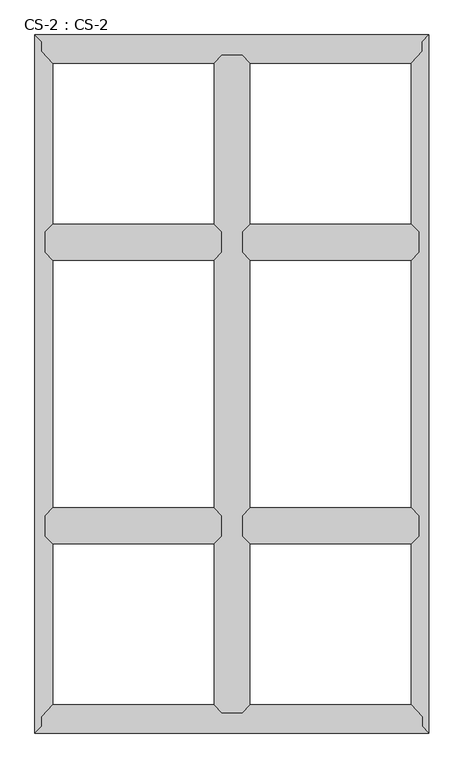
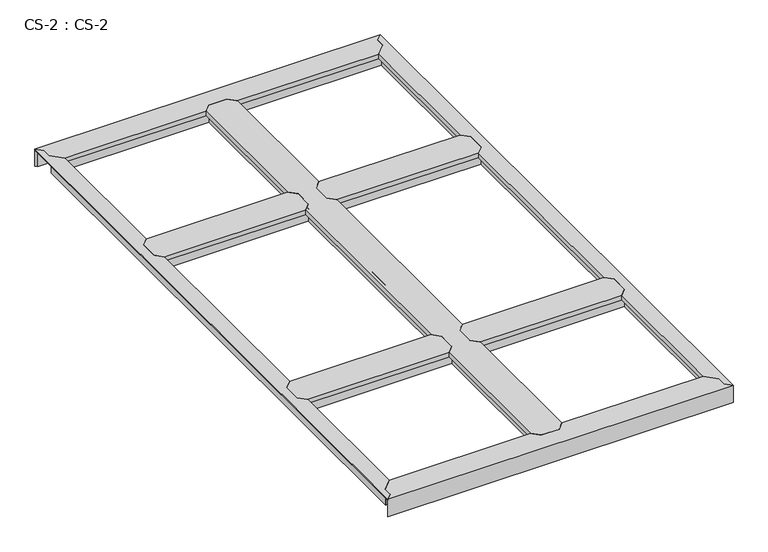
"""IFC4 building model written with IfcOpenShell, lengths in millimetres: proxy geometry, CS-2 : CS-2."""

import ifcopenshell
import ifcopenshell.guid

model = None  # the IFC model being written
_history = None  # IfcOwnerHistory: only IFC2X3 demands one
_inside = {}  # id of a spatial element -> (the spatial element, [elements in it])
_under = {}  # id of a project, library or spatial element -> (it, [spatial elements below it])
_declared = {}  # id of a project -> (the project, [libraries it declares])
_typed = {}  # id of a type object -> (the type object, [elements of that type])
_made_of = {}  # id of a material, layer set ... -> (it, [elements and type objects made of it])


def new_model(schema):
    """Start an empty IFC model of exactly this schema.

    Asked for "IFC4X3", IfcOpenShell would pick the latest addendum, in which some entities
    have other attributes; the version numbers below select the first issue.
    IFC2X3 requires an IfcOwnerHistory on every rooted entity: one is made here for all.
    """
    global model, _history
    if schema == "IFC4X3":
        model = ifcopenshell.file(schema_version=(4, 3, 0, 0))
    else:
        model = ifcopenshell.file(schema=schema)
    _inside.clear()
    _under.clear()
    _declared.clear()
    _typed.clear()
    _made_of.clear()
    _history = None
    if model.schema == "IFC2X3":
        org = make("IfcOrganization", Name="unknown")
        user = make(
            "IfcPersonAndOrganization",
            ThePerson=make("IfcPerson", FamilyName="unknown"),
            TheOrganization=org,
        )
        app = make(
            "IfcApplication",
            ApplicationDeveloper=org,
            Version="unknown",
            ApplicationFullName="unknown",
            ApplicationIdentifier="unknown",
        )
        _history = make(
            "IfcOwnerHistory",
            OwningUser=user,
            OwningApplication=app,
            ChangeAction="ADDED",
            CreationDate=0,
        )
    return model


def make(cls, **values):
    """One entity of the class cls with the attributes given. An attribute that is None is left unset."""
    return model.create_entity(
        cls, **{name: value for name, value in values.items() if value is not None}
    )


def rooted(cls, **values):
    """An entity with a GlobalId (a new one), such as an element, a storey or a relation."""
    return make(cls, GlobalId=ifcopenshell.guid.new(), OwnerHistory=_history, **values)


def si_unit(unit_type, name, prefix=None):
    """IfcSIUnit, for example si_unit("LENGTHUNIT", "METRE", prefix="MILLI")."""
    return make("IfcSIUnit", UnitType=unit_type, Prefix=prefix, Name=name)


def assignment(units):
    """IfcUnitAssignment: the units of a project."""
    return None if units is None else make("IfcUnitAssignment", Units=units)


def point(xyz):
    """IfcCartesianPoint."""
    return None if xyz is None else make("IfcCartesianPoint", Coordinates=xyz)


def direction(xyz):
    """IfcDirection."""
    return None if xyz is None else make("IfcDirection", DirectionRatios=xyz)


def frame(location, z_axis=None, x_axis=None):
    """IfcAxis2Placement3D, a coordinate frame: its origin and axes. An axis left out is left unset."""
    return make(
        "IfcAxis2Placement3D",
        Location=point(location),
        Axis=direction(z_axis),
        RefDirection=direction(x_axis),
    )


def origin():
    """The frame at (0, 0, 0) with its axes left unset."""
    return frame((0.0, 0.0, 0.0))


def place(relative_to, where):
    """IfcLocalPlacement: puts the frame where relative to a parent placement (None: the world)."""
    return make(
        "IfcLocalPlacement", PlacementRelTo=relative_to, RelativePlacement=where
    )


def context(
    kind, dimensions, precision=None, world=None, true_north=None, identifier=None
):
    """IfcGeometricRepresentationContext, for example the 3D "Model" context."""
    return make(
        "IfcGeometricRepresentationContext",
        ContextIdentifier=identifier,
        ContextType=kind,
        CoordinateSpaceDimension=dimensions,
        Precision=precision,
        WorldCoordinateSystem=world,
        TrueNorth=true_north,
    )


def project(units=None, contexts=None):
    """IfcProject with its units and contexts."""
    return rooted(
        "IfcProject",
        Name="project",
        RepresentationContexts=contexts,
        UnitsInContext=assignment(units),
    )


def spatial(cls, under=None, at=None, **own):
    """A site, building, storey or space (cls), placed at a placement, below another one or the project."""
    s = rooted(cls, ObjectPlacement=at, **own)
    if under is not None:
        _under.setdefault(under.id(), (under, []))[1].append(s)
    return s


def faces_of(points, faces, orient=None, outer=None):
    """IfcFace entities. A face is a list of loops; a loop is a list of indices into points, from 0.

    orient and outer hold one flag for each loop. By default every Orientation is true, the
    first loop of a face is its IfcFaceOuterBound and the others are IfcFaceBound.
    """
    made = []
    for i, loops in enumerate(faces):
        bounds = []
        for j, loop in enumerate(loops):
            is_outer = j == 0 if outer is None else outer[i][j]
            bounds.append(
                make(
                    "IfcFaceOuterBound" if is_outer else "IfcFaceBound",
                    Bound=make("IfcPolyLoop", Polygon=[points[k] for k in loop]),
                    Orientation=True if orient is None else orient[i][j],
                )
            )
        made.append(make("IfcFace", Bounds=bounds))
    return made


def faceted_brep(points, faces, orient=None, outer=None, voids=None):
    """IfcFacetedBrep: a solid bounded by flat faces; with voids (closed shells), ...WithVoids."""
    shared = [point(p) for p in points]
    hull = make("IfcClosedShell", CfsFaces=faces_of(shared, faces, orient, outer))
    if voids is None:
        return make("IfcFacetedBrep", Outer=hull)
    return make(
        "IfcFacetedBrepWithVoids",
        Outer=hull,
        Voids=[
            make(cls, CfsFaces=faces_of(shared, fs, o, b)) for cls, fs, o, b in voids
        ],
    )


def shape(context_of_items, identifier, shape_type, items):
    """IfcShapeRepresentation: the items that make up one representation, for example the "Body"."""
    return make(
        "IfcShapeRepresentation",
        ContextOfItems=context_of_items,
        RepresentationIdentifier=identifier,
        RepresentationType=shape_type,
        Items=items,
    )


def source(mapping_origin, context_of_items, identifier, shape_type, items):
    """IfcRepresentationMap: a shape defined once, which mapped items show again and again."""
    return make(
        "IfcRepresentationMap",
        MappingOrigin=mapping_origin,
        MappedRepresentation=shape(context_of_items, identifier, shape_type, items),
    )


def transform(
    local_origin,
    x_axis=None,
    y_axis=None,
    z_axis=None,
    scale=None,
    scale2=None,
    scale3=None,
    uniform=True,
):
    """IfcCartesianTransformationOperator3D, or its non-uniform kind. x_axis, y_axis, z_axis: its Axis1, 2, 3."""
    if uniform:
        return make(
            "IfcCartesianTransformationOperator3D",
            Axis1=direction(x_axis),
            Axis2=direction(y_axis),
            LocalOrigin=point(local_origin),
            Scale=scale,
            Axis3=direction(z_axis),
        )
    return make(
        "IfcCartesianTransformationOperator3DnonUniform",
        Axis1=direction(x_axis),
        Axis2=direction(y_axis),
        LocalOrigin=point(local_origin),
        Scale=scale,
        Axis3=direction(z_axis),
        Scale2=scale2,
        Scale3=scale3,
    )


def mapped(mapping_source, mapping_target):
    """IfcMappedItem: shows the shape of a source again, moved by a transform."""
    return make(
        "IfcMappedItem", MappingSource=mapping_source, MappingTarget=mapping_target
    )


def made_of(thing, what):
    """Note that an element or type object is made of a material, layer set ...; save() writes the relation."""
    if what is not None:
        _made_of.setdefault(what.id(), (what, []))[1].append(thing)
    return thing


def element(
    cls,
    number,
    at=None,
    inside=None,
    cuts=None,
    type_object=None,
    material=None,
    context=None,
    identifier="Body",
    shape_type=None,
    held_by="IfcProductDefinitionShape",
    body=None,
    shapes=None,
    **own,
):
    """One element of the class cls, such as IfcWall. Its Tag is "e" and its number.

    at: its placement. inside: the storey or other place that contains it. cuts: it is an
    opening in that element (IfcRelVoidsElement). A single representation is given by context,
    identifier, shape_type and body (its items); several are given by shapes. held_by: the class
    of the entity that holds the representations. save() writes the other relations.
    """
    e = rooted(cls, Tag="e%d" % number, ObjectPlacement=at, **own)
    if body is not None:
        shapes = [shape(context, identifier, shape_type, body)]
    if shapes is not None:
        e.Representation = make(held_by, Representations=shapes)
    if inside is not None:
        _inside.setdefault(inside.id(), (inside, []))[1].append(e)
    if cuts is not None:
        rooted(
            "IfcRelVoidsElement", RelatingBuildingElement=cuts, RelatedOpeningElement=e
        )
    if type_object is not None:
        _typed.setdefault(type_object.id(), (type_object, []))[1].append(e)
    return made_of(e, material)


def aggregate(whole, parts):
    """IfcRelAggregates: a whole, such as a stair, and the parts it consists of."""
    return rooted("IfcRelAggregates", RelatingObject=whole, RelatedObjects=parts)


def save(model, path):
    """Write the relations noted so far, then the file.

    IfcRelAggregates (storeys below a building ...), IfcRelContainedInSpatialStructure (elements
    in a storey), IfcRelDefinesByType, IfcRelAssociatesMaterial and IfcRelDeclares: one each for
    every whole, place, type object, material and project.
    """
    for whole, parts in _under.values():
        aggregate(whole, parts)
    for where, things in _inside.values():
        rooted(
            "IfcRelContainedInSpatialStructure",
            RelatedElements=things,
            RelatingStructure=where,
        )
    for kind, things in _typed.values():
        rooted("IfcRelDefinesByType", RelatedObjects=things, RelatingType=kind)
    for what, things in _made_of.values():
        rooted("IfcRelAssociatesMaterial", RelatedObjects=things, RelatingMaterial=what)
    for by, libraries in _declared.values():
        rooted("IfcRelDeclares", RelatingContext=by, RelatedDefinitions=libraries)
    model.write(path)


def cs_2_cs_2_627398f3(model_context):
    return source(origin(), model_context, "Body", "Brep", [
        faceted_brep([(668.02, 2184.4, 46.355), (668.02, 2184.4, 0.0), (661.035, 2184.4, 0.0), (661.035, 2184.4, 63.5), (608.965, 2184.4, 63.5), (608.965, 2184.4, 0.0), (601.98, 2184.4, 0.0), (601.98, 2184.4, 46.355), (601.98, 2184.4, 66.675), (668.02, 2184.4, 66.675), (601.98, 66.04, 46.355), (601.98, 66.04, 0.0), (608.965, 66.04, 0.0), (608.965, 66.04, 63.5), (661.035, 66.04, 63.5), (661.035, 66.04, 0.0), (668.02, 66.04, 0.0), (668.02, 66.04, 46.355), (668.02, 66.04, 66.675), (601.98, 66.04, 66.675), (577.342, 90.678, 49.8094), (577.342, 90.678, 66.675), (577.342, 610.362, 66.675), (577.342, 610.362, 49.8094), (577.342, 2159.762, 66.675), (577.342, 2159.762, 49.8094), (577.342, 1640.078, 49.8094), (577.342, 1640.078, 66.675), (577.342, 725.678, 49.8094), (577.342, 725.678, 66.675), (577.342, 1524.762, 66.675), (577.342, 1524.762, 49.8094), (578.866, 89.154, 49.8094), (578.866, 611.886, 49.8094), (578.866, 2161.286, 49.8094), (578.866, 1638.554, 49.8094), (578.866, 724.154, 49.8094), (578.866, 1526.286, 49.8094), (578.866, 89.154, 64.643), (578.866, 611.886, 64.643), (578.866, 2161.286, 64.643), (578.866, 1638.554, 64.643), (578.866, 724.154, 64.643), (578.866, 1526.286, 64.643), (589.153, 78.867, 64.643), (589.153, 622.173, 64.643), (589.153, 2171.573, 64.643), (589.153, 1628.267, 64.643), (589.153, 713.867, 64.643), (589.153, 1536.573, 64.643), (589.153, 78.867, 46.355), (589.153, 622.173, 46.355), (589.153, 2171.573, 46.355), (589.153, 1628.267, 46.355), (589.153, 713.867, 46.355), (589.153, 1536.573, 46.355), (601.98, 635.0, 46.355), (601.98, 1615.44, 46.355), (601.98, 701.04, 46.355), (601.98, 1549.4, 46.355), (601.98, 635.0, 66.675), (601.98, 701.04, 66.675), (601.98, 1549.4, 66.675), (601.98, 1615.44, 66.675), (668.02, 1615.44, 46.355), (668.02, 1615.44, 66.675), (668.02, 1549.4, 66.675), (668.02, 1549.4, 46.355), (668.02, 701.04, 46.355), (668.02, 701.04, 66.675), (668.02, 635.0, 66.675), (668.02, 635.0, 46.355), (680.847, 78.867, 46.355), (680.847, 622.173, 46.355), (680.847, 2171.573, 46.355), (680.847, 1628.267, 46.355), (680.847, 713.867, 46.355), (680.847, 1536.573, 46.355), (680.847, 78.867, 64.643), (680.847, 622.173, 64.643), (680.847, 2171.573, 64.643), (680.847, 1628.267, 64.643), (680.847, 713.867, 64.643), (680.847, 1536.573, 64.643), (691.134, 89.154, 64.643), (691.134, 611.886, 64.643), (691.134, 2161.286, 64.643), (691.134, 1638.554, 64.643), (691.134, 724.154, 64.643), (691.134, 1526.286, 64.643), (691.134, 89.154, 49.8094), (691.134, 611.886, 49.8094), (691.134, 2161.286, 49.8094), (691.134, 1638.554, 49.8094), (691.134, 724.154, 49.8094), (691.134, 1526.286, 49.8094), (692.658, 90.678, 49.8094), (692.658, 610.362, 49.8094), (692.658, 2159.762, 49.8094), (692.658, 1640.078, 49.8094), (692.658, 725.678, 49.8094), (692.658, 1524.762, 49.8094), (692.658, 90.678, 66.675), (692.658, 610.362, 66.675), (692.658, 2159.762, 66.675), (692.658, 1640.078, 66.675), (692.658, 725.678, 66.675), (692.658, 1524.762, 66.675)], [[[0, 1, 2, 3, 4, 5, 6, 7, 8, 9]], [[10, 11, 12, 13, 14, 15, 16, 17, 18, 19]], [[20, 21, 22, 23]], [[24, 25, 26, 27]], [[28, 29, 30, 31]], [[32, 20, 23, 33]], [[25, 34, 35, 26]], [[36, 28, 31, 37]], [[38, 32, 33, 39]], [[34, 40, 41, 35]], [[42, 36, 37, 43]], [[44, 38, 39, 45]], [[40, 46, 47, 41]], [[48, 42, 43, 49]], [[50, 44, 45, 51]], [[46, 52, 53, 47]], [[54, 48, 49, 55]], [[10, 50, 51, 56]], [[52, 7, 57, 53]], [[58, 54, 55, 59]], [[7, 6, 11, 10, 56, 60, 61, 58, 59, 62, 63, 57]], [[6, 5, 12, 11]], [[5, 4, 13, 12]], [[4, 3, 14, 13]], [[3, 2, 15, 14]], [[2, 1, 16, 15]], [[1, 0, 64, 65, 66, 67, 68, 69, 70, 71, 17, 16]], [[72, 17, 71, 73]], [[0, 74, 75, 64]], [[76, 68, 67, 77]], [[78, 72, 73, 79]], [[74, 80, 81, 75]], [[82, 76, 77, 83]], [[84, 78, 79, 85]], [[80, 86, 87, 81]], [[88, 82, 83, 89]], [[90, 84, 85, 91]], [[86, 92, 93, 87]], [[94, 88, 89, 95]], [[96, 90, 91, 97]], [[92, 98, 99, 93]], [[100, 94, 95, 101]], [[102, 96, 97, 103]], [[98, 104, 105, 99]], [[106, 100, 101, 107]], [[9, 8, 24, 27, 63, 62, 30, 29, 61, 60, 22, 21, 19, 18, 102, 103, 70, 69, 106, 107, 66, 65, 105, 104]], [[10, 19, 21, 20, 32, 38, 44, 50]], [[18, 17, 72, 78, 84, 90, 96, 102]], [[0, 9, 104, 98, 92, 86, 80, 74]], [[8, 7, 52, 46, 40, 34, 25, 24]], [[60, 56, 51, 45, 39, 33, 23, 22]], [[58, 61, 29, 28, 36, 42, 48, 54]], [[62, 59, 55, 49, 43, 37, 31, 30]], [[57, 63, 27, 26, 35, 41, 47, 53]], [[69, 68, 76, 82, 88, 94, 100, 106]], [[71, 70, 103, 97, 91, 85, 79, 73]], [[65, 64, 75, 81, 87, 93, 99, 105]], [[67, 66, 107, 101, 95, 89, 83, 77]]]),
        faceted_brep([(1236.98, 635.0, 46.355), (1236.98, 635.0, 0.0), (1236.98, 641.985, 0.0), (1236.98, 641.985, 63.5), (1236.98, 694.055, 63.5), (1236.98, 694.055, 0.0), (1236.98, 701.04, 0.0), (1236.98, 701.04, 46.355), (1236.98, 701.04, 66.675), (1236.98, 635.0, 66.675), (668.02, 701.04, 46.355), (668.02, 701.04, 0.0), (668.02, 694.055, 0.0), (668.02, 694.055, 63.5), (668.02, 641.985, 63.5), (668.02, 641.985, 0.0), (668.02, 635.0, 0.0), (668.02, 635.0, 46.355), (668.02, 635.0, 66.675), (668.02, 701.04, 66.675), (692.658, 725.678, 66.675), (1212.342, 725.678, 66.675), (1212.342, 725.678, 49.8094), (692.658, 725.678, 49.8094), (1213.866, 724.154, 49.8094), (691.134, 724.154, 49.8094), (1213.866, 724.154, 64.643), (691.134, 724.154, 64.643), (1224.153, 713.867, 64.643), (680.847, 713.867, 64.643), (1224.153, 713.867, 46.355), (680.847, 713.867, 46.355), (1224.153, 622.173, 46.355), (680.847, 622.173, 46.355), (1224.153, 622.173, 64.643), (680.847, 622.173, 64.643), (1213.866, 611.886, 64.643), (691.134, 611.886, 64.643), (1213.866, 611.886, 49.8094), (691.134, 611.886, 49.8094), (1212.342, 610.362, 49.8094), (692.658, 610.362, 49.8094), (1212.342, 610.362, 66.675), (692.658, 610.362, 66.675)], [[[0, 1, 2, 3, 4, 5, 6, 7, 8, 9]], [[10, 11, 12, 13, 14, 15, 16, 17, 18, 19]], [[20, 21, 22, 23]], [[23, 22, 24, 25]], [[25, 24, 26, 27]], [[27, 26, 28, 29]], [[29, 28, 30, 31]], [[7, 10, 31, 30]], [[7, 6, 11, 10]], [[6, 5, 12, 11]], [[5, 4, 13, 12]], [[4, 3, 14, 13]], [[3, 2, 15, 14]], [[2, 1, 16, 15]], [[1, 0, 17, 16]], [[17, 0, 32, 33]], [[33, 32, 34, 35]], [[35, 34, 36, 37]], [[37, 36, 38, 39]], [[39, 38, 40, 41]], [[41, 40, 42, 43]], [[9, 8, 21, 20, 19, 18, 43, 42]], [[10, 19, 20, 23, 25, 27, 29, 31]], [[18, 17, 33, 35, 37, 39, 41, 43]], [[0, 9, 42, 40, 38, 36, 34, 32]], [[8, 7, 30, 28, 26, 24, 22, 21]]]),
        faceted_brep([(1236.98, 1549.4, 46.355), (1236.98, 1549.4, 0.0), (1236.98, 1556.385, 0.0), (1236.98, 1556.385, 63.5), (1236.98, 1608.455, 63.5), (1236.98, 1608.455, 0.0), (1236.98, 1615.44, 0.0), (1236.98, 1615.44, 46.355), (1236.98, 1615.44, 66.675), (1236.98, 1549.4, 66.675), (668.02, 1615.44, 46.355), (668.02, 1615.44, 0.0), (668.02, 1608.455, 0.0), (668.02, 1608.455, 63.5), (668.02, 1556.385, 63.5), (668.02, 1556.385, 0.0), (668.02, 1549.4, 0.0), (668.02, 1549.4, 46.355), (668.02, 1549.4, 66.675), (668.02, 1615.44, 66.675), (692.658, 1640.078, 66.675), (1212.342, 1640.078, 66.675), (1212.342, 1640.078, 49.8094), (692.658, 1640.078, 49.8094), (1213.866, 1638.554, 49.8094), (691.134, 1638.554, 49.8094), (1213.866, 1638.554, 64.643), (691.134, 1638.554, 64.643), (1224.153, 1628.267, 64.643), (680.847, 1628.267, 64.643), (1224.153, 1628.267, 46.355), (680.847, 1628.267, 46.355), (1224.153, 1536.573, 46.355), (680.847, 1536.573, 46.355), (1224.153, 1536.573, 64.643), (680.847, 1536.573, 64.643), (1213.866, 1526.286, 64.643), (691.134, 1526.286, 64.643), (1213.866, 1526.286, 49.8094), (691.134, 1526.286, 49.8094), (1212.342, 1524.762, 49.8094), (692.658, 1524.762, 49.8094), (1212.342, 1524.762, 66.675), (692.658, 1524.762, 66.675)], [[[0, 1, 2, 3, 4, 5, 6, 7, 8, 9]], [[10, 11, 12, 13, 14, 15, 16, 17, 18, 19]], [[20, 21, 22, 23]], [[23, 22, 24, 25]], [[25, 24, 26, 27]], [[27, 26, 28, 29]], [[29, 28, 30, 31]], [[7, 10, 31, 30]], [[7, 6, 11, 10]], [[6, 5, 12, 11]], [[5, 4, 13, 12]], [[4, 3, 14, 13]], [[3, 2, 15, 14]], [[2, 1, 16, 15]], [[1, 0, 17, 16]], [[17, 0, 32, 33]], [[33, 32, 34, 35]], [[35, 34, 36, 37]], [[37, 36, 38, 39]], [[39, 38, 40, 41]], [[41, 40, 42, 43]], [[9, 8, 21, 20, 19, 18, 43, 42]], [[10, 19, 20, 23, 25, 27, 29, 31]], [[18, 17, 33, 35, 37, 39, 41, 43]], [[0, 9, 42, 40, 38, 36, 34, 32]], [[8, 7, 30, 28, 26, 24, 22, 21]]]),
        faceted_brep([(601.98, 1549.4, 46.355), (601.98, 1549.4, 0.0), (601.98, 1556.385, 0.0), (601.98, 1556.385, 63.5), (601.98, 1608.455, 63.5), (601.98, 1608.455, 0.0), (601.98, 1615.44, 0.0), (601.98, 1615.44, 46.355), (601.98, 1615.44, 66.675), (601.98, 1549.4, 66.675), (33.02, 1615.44, 46.355), (33.02, 1615.44, 0.0), (33.02, 1608.455, 0.0), (33.02, 1608.455, 63.5), (33.02, 1556.385, 63.5), (33.02, 1556.385, 0.0), (33.02, 1549.4, 0.0), (33.02, 1549.4, 46.355), (33.02, 1549.4, 66.675), (33.02, 1615.44, 66.675), (57.658, 1640.078, 66.675), (577.342, 1640.078, 66.675), (577.342, 1640.078, 49.8094), (57.658, 1640.078, 49.8094), (578.866, 1638.554, 49.8094), (56.134, 1638.554, 49.8094), (578.866, 1638.554, 64.643), (56.134, 1638.554, 64.643), (589.153, 1628.267, 64.643), (45.847, 1628.267, 64.643), (589.153, 1628.267, 46.355), (45.847, 1628.267, 46.355), (589.153, 1536.573, 46.355), (45.847, 1536.573, 46.355), (589.153, 1536.573, 64.643), (45.847, 1536.573, 64.643), (578.866, 1526.286, 64.643), (56.134, 1526.286, 64.643), (578.866, 1526.286, 49.8094), (56.134, 1526.286, 49.8094), (577.342, 1524.762, 49.8094), (57.658, 1524.762, 49.8094), (577.342, 1524.762, 66.675), (57.658, 1524.762, 66.675)], [[[0, 1, 2, 3, 4, 5, 6, 7, 8, 9]], [[10, 11, 12, 13, 14, 15, 16, 17, 18, 19]], [[20, 21, 22, 23]], [[23, 22, 24, 25]], [[25, 24, 26, 27]], [[27, 26, 28, 29]], [[29, 28, 30, 31]], [[7, 10, 31, 30]], [[7, 6, 11, 10]], [[6, 5, 12, 11]], [[5, 4, 13, 12]], [[4, 3, 14, 13]], [[3, 2, 15, 14]], [[2, 1, 16, 15]], [[1, 0, 17, 16]], [[17, 0, 32, 33]], [[33, 32, 34, 35]], [[35, 34, 36, 37]], [[37, 36, 38, 39]], [[39, 38, 40, 41]], [[41, 40, 42, 43]], [[9, 8, 21, 20, 19, 18, 43, 42]], [[10, 19, 20, 23, 25, 27, 29, 31]], [[18, 17, 33, 35, 37, 39, 41, 43]], [[0, 9, 42, 40, 38, 36, 34, 32]], [[8, 7, 30, 28, 26, 24, 22, 21]]]),
        faceted_brep([(601.98, 635.0, 46.355), (601.98, 635.0, 0.0), (601.98, 641.985, 0.0), (601.98, 641.985, 63.5), (601.98, 694.055, 63.5), (601.98, 694.055, 0.0), (601.98, 701.04, 0.0), (601.98, 701.04, 46.355), (601.98, 701.04, 66.675), (601.98, 635.0, 66.675), (33.02, 701.04, 46.355), (33.02, 701.04, 0.0), (33.02, 694.055, 0.0), (33.02, 694.055, 63.5), (33.02, 641.985, 63.5), (33.02, 641.985, 0.0), (33.02, 635.0, 0.0), (33.02, 635.0, 46.355), (33.02, 635.0, 66.675), (33.02, 701.04, 66.675), (57.658, 725.678, 66.675), (577.342, 725.678, 66.675), (577.342, 725.678, 49.8094), (57.658, 725.678, 49.8094), (578.866, 724.154, 49.8094), (56.134, 724.154, 49.8094), (578.866, 724.154, 64.643), (56.134, 724.154, 64.643), (589.153, 713.867, 64.643), (45.847, 713.867, 64.643), (589.153, 713.867, 46.355), (45.847, 713.867, 46.355), (589.153, 622.173, 46.355), (45.847, 622.173, 46.355), (589.153, 622.173, 64.643), (45.847, 622.173, 64.643), (578.866, 611.886, 64.643), (56.134, 611.886, 64.643), (578.866, 611.886, 49.8094), (56.134, 611.886, 49.8094), (577.342, 610.362, 49.8094), (57.658, 610.362, 49.8094), (577.342, 610.362, 66.675), (57.658, 610.362, 66.675)], [[[0, 1, 2, 3, 4, 5, 6, 7, 8, 9]], [[10, 11, 12, 13, 14, 15, 16, 17, 18, 19]], [[20, 21, 22, 23]], [[23, 22, 24, 25]], [[25, 24, 26, 27]], [[27, 26, 28, 29]], [[29, 28, 30, 31]], [[7, 10, 31, 30]], [[7, 6, 11, 10]], [[6, 5, 12, 11]], [[5, 4, 13, 12]], [[4, 3, 14, 13]], [[3, 2, 15, 14]], [[2, 1, 16, 15]], [[1, 0, 17, 16]], [[17, 0, 32, 33]], [[33, 32, 34, 35]], [[35, 34, 36, 37]], [[37, 36, 38, 39]], [[39, 38, 40, 41]], [[41, 40, 42, 43]], [[9, 8, 21, 20, 19, 18, 43, 42]], [[10, 19, 20, 23, 25, 27, 29, 31]], [[18, 17, 33, 35, 37, 39, 41, 43]], [[0, 9, 42, 40, 38, 36, 34, 32]], [[8, 7, 30, 28, 26, 24, 22, 21]]]),
        faceted_brep([(1270.0, 0.0, 0.0), (0.0, 0.0, 0.0), (6.985, 6.985, 0.0), (1263.015, 6.985, 0.0), (1263.015, 6.985, 63.5), (6.985, 6.985, 63.5), (1248.41, 21.59, 63.5), (21.59, 21.59, 63.5), (21.59, 53.34, 63.5), (27.1106122, 59.055, 63.5), (1242.8893878, 59.055, 63.5), (1248.41, 53.34, 63.5), (1242.8893878, 59.055, 0.0), (27.1106122, 59.055, 0.0), (33.8580272, 66.04, 0.0), (1236.1419728, 66.04, 0.0), (1236.1419728, 66.04, 46.355), (33.8580272, 66.04, 46.355), (601.98, 66.04, 46.355), (601.98, 66.04, 66.675), (668.02, 66.04, 66.675), (668.02, 66.04, 46.355), (1223.7512653, 78.867, 46.355), (680.847, 78.867, 46.355), (46.2487347, 78.867, 46.355), (589.153, 78.867, 46.355), (1223.7512653, 78.867, 63.5), (680.847, 78.867, 63.5), (46.2487347, 78.867, 63.5), (589.153, 78.867, 63.5), (1213.8141633, 89.154, 63.5), (691.134, 89.154, 63.5), (56.1858367, 89.154, 63.5), (578.866, 89.154, 63.5), (1213.8141633, 89.154, 49.8094), (691.134, 89.154, 49.8094), (56.1858367, 89.154, 49.8094), (578.866, 89.154, 49.8094), (1212.342, 90.678, 49.8094), (692.658, 90.678, 49.8094), (57.658, 90.678, 49.8094), (577.342, 90.678, 49.8094), (1212.342, 90.678, 66.675), (692.658, 90.678, 66.675), (57.658, 90.678, 66.675), (577.342, 90.678, 66.675), (0.0, 0.0, 66.675), (1270.0, 0.0, 66.675), (1248.41, 21.59, 66.675), (1248.41, 53.34, 66.675), (21.59, 53.34, 66.675), (21.59, 21.59, 66.675)], [[[0, 1, 2, 3]], [[4, 3, 2, 5]], [[6, 4, 5, 7, 8, 9, 10, 11]], [[12, 10, 9, 13]], [[14, 15, 12, 13]], [[16, 15, 14, 17, 18, 19, 20, 21]], [[22, 16, 21, 23]], [[17, 24, 25, 18]], [[26, 22, 23, 27]], [[24, 28, 29, 25]], [[30, 26, 27, 31]], [[28, 32, 33, 29]], [[34, 30, 31, 35]], [[32, 36, 37, 33]], [[38, 34, 35, 39]], [[36, 40, 41, 37]], [[42, 38, 39, 43]], [[40, 44, 45, 41]], [[46, 47, 48, 49, 42, 43, 20, 19, 45, 44, 50, 51]], [[1, 0, 47, 46]], [[6, 48, 47, 0, 3, 4]], [[49, 11, 10, 12, 15, 16, 22, 26, 30, 34, 38, 42]], [[48, 6, 11, 49]], [[7, 51, 50, 8]], [[8, 50, 44, 40, 36, 32, 28, 24, 17, 14, 13, 9]], [[51, 7, 5, 2, 1, 46]], [[19, 18, 25, 29, 33, 37, 41, 45]], [[21, 20, 43, 39, 35, 31, 27, 23]]]),
        faceted_brep([(1270.0, 0.0, 66.675), (1270.0, 2250.44, 66.675), (1248.41, 2228.85, 66.675), (1248.41, 2197.1, 66.675), (1212.342, 2159.762, 66.675), (1212.342, 1640.078, 66.675), (1236.98, 1615.44, 66.675), (1236.98, 1549.4, 66.675), (1212.342, 1524.762, 66.675), (1212.342, 725.678, 66.675), (1236.98, 701.04, 66.675), (1236.98, 635.0, 66.675), (1212.342, 610.362, 66.675), (1212.342, 90.678, 66.675), (1248.41, 53.34, 66.675), (1248.41, 21.59, 66.675), (1270.0, 0.0, 63.5), (1270.0, 2250.44, 63.5), (1248.41, 21.59, 63.5), (1248.41, 53.34, 63.5), (1243.965, 57.9415141, 63.5), (1243.965, 2192.4984859, 63.5), (1248.41, 2197.1, 63.5), (1248.41, 2228.85, 63.5), (1243.965, 2192.4984859, 0.0), (1243.965, 57.9415141, 0.0), (1236.98, 65.1724648, 0.0), (1236.98, 2185.2675352, 0.0), (1236.98, 2185.2675352, 46.355), (1236.98, 65.1724648, 46.355), (1236.98, 635.0, 46.355), (1236.98, 701.04, 46.355), (1236.98, 1549.4, 46.355), (1236.98, 1615.44, 46.355), (1224.153, 2171.9888803, 46.355), (1224.153, 1628.267, 46.355), (1224.153, 78.4511197, 46.355), (1224.153, 622.173, 46.355), (1224.153, 1536.573, 46.355), (1224.153, 713.867, 46.355), (1224.153, 2171.9888803, 64.643), (1224.153, 1628.267, 64.643), (1224.153, 78.4511197, 64.643), (1224.153, 622.173, 64.643), (1224.153, 1536.573, 64.643), (1224.153, 713.867, 64.643), (1213.866, 2161.339662, 64.643), (1213.866, 1638.554, 64.643), (1213.866, 89.100338, 64.643), (1213.866, 611.886, 64.643), (1213.866, 1526.286, 64.643), (1213.866, 724.154, 64.643), (1213.866, 2161.339662, 49.8094), (1213.866, 1638.554, 49.8094), (1213.866, 89.100338, 49.8094), (1213.866, 611.886, 49.8094), (1213.866, 1526.286, 49.8094), (1213.866, 724.154, 49.8094), (1212.342, 2159.762, 49.8094), (1212.342, 1640.078, 49.8094), (1212.342, 90.678, 49.8094), (1212.342, 610.362, 49.8094), (1212.342, 1524.762, 49.8094), (1212.342, 725.678, 49.8094)], [[[0, 1, 2, 3, 4, 5, 6, 7, 8, 9, 10, 11, 12, 13, 14, 15]], [[1, 0, 16, 17]], [[17, 16, 18, 19, 20, 21, 22, 23]], [[24, 21, 20, 25]], [[26, 27, 24, 25]], [[28, 27, 26, 29, 30, 11, 10, 31, 32, 7, 6, 33]], [[34, 28, 33, 35]], [[29, 36, 37, 30]], [[38, 32, 31, 39]], [[40, 34, 35, 41]], [[36, 42, 43, 37]], [[44, 38, 39, 45]], [[46, 40, 41, 47]], [[42, 48, 49, 43]], [[50, 44, 45, 51]], [[52, 46, 47, 53]], [[48, 54, 55, 49]], [[56, 50, 51, 57]], [[58, 52, 53, 59]], [[54, 60, 61, 55]], [[62, 56, 57, 63]], [[4, 58, 59, 5]], [[60, 13, 12, 61]], [[8, 62, 63, 9]], [[23, 2, 1, 17]], [[3, 22, 21, 24, 27, 28, 34, 40, 46, 52, 58, 4]], [[2, 23, 22, 3]], [[18, 15, 14, 19]], [[19, 14, 13, 60, 54, 48, 42, 36, 29, 26, 25, 20]], [[15, 18, 16, 0]], [[7, 32, 38, 44, 50, 56, 62, 8]], [[33, 6, 5, 59, 53, 47, 41, 35]], [[11, 30, 37, 43, 49, 55, 61, 12]], [[31, 10, 9, 63, 57, 51, 45, 39]]]),
        faceted_brep([(0.0, 2250.44, 0.0), (1270.0, 2250.44, 0.0), (1263.015, 2243.455, 0.0), (6.985, 2243.455, 0.0), (6.985, 2243.455, 63.5), (1263.015, 2243.455, 63.5), (21.59, 2228.85, 63.5), (1248.41, 2228.85, 63.5), (1248.41, 2197.1, 63.5), (1242.8893878, 2191.385, 63.5), (27.1106122, 2191.385, 63.5), (21.59, 2197.1, 63.5), (27.1106122, 2191.385, 0.0), (1242.8893878, 2191.385, 0.0), (1236.1419728, 2184.4, 0.0), (33.8580272, 2184.4, 0.0), (33.8580272, 2184.4, 46.355), (1236.1419728, 2184.4, 46.355), (668.02, 2184.4, 46.355), (668.02, 2184.4, 66.675), (601.98, 2184.4, 66.675), (601.98, 2184.4, 46.355), (46.2487347, 2171.573, 46.355), (589.153, 2171.573, 46.355), (1223.7512653, 2171.573, 46.355), (680.847, 2171.573, 46.355), (46.2487347, 2171.573, 63.5), (589.153, 2171.573, 63.5), (1223.7512653, 2171.573, 63.5), (680.847, 2171.573, 63.5), (56.1858367, 2161.286, 63.5), (578.866, 2161.286, 63.5), (1213.8141633, 2161.286, 63.5), (691.134, 2161.286, 63.5), (56.1858367, 2161.286, 49.8094), (578.866, 2161.286, 49.8094), (1213.8141633, 2161.286, 49.8094), (691.134, 2161.286, 49.8094), (57.658, 2159.762, 49.8094), (577.342, 2159.762, 49.8094), (1212.342, 2159.762, 49.8094), (692.658, 2159.762, 49.8094), (57.658, 2159.762, 66.675), (577.342, 2159.762, 66.675), (1212.342, 2159.762, 66.675), (692.658, 2159.762, 66.675), (1270.0, 2250.44, 66.675), (0.0, 2250.44, 66.675), (21.59, 2228.85, 66.675), (21.59, 2197.1, 66.675), (1248.41, 2197.1, 66.675), (1248.41, 2228.85, 66.675)], [[[0, 1, 2, 3]], [[4, 3, 2, 5]], [[6, 4, 5, 7, 8, 9, 10, 11]], [[12, 10, 9, 13]], [[14, 15, 12, 13]], [[16, 15, 14, 17, 18, 19, 20, 21]], [[22, 16, 21, 23]], [[17, 24, 25, 18]], [[26, 22, 23, 27]], [[24, 28, 29, 25]], [[30, 26, 27, 31]], [[28, 32, 33, 29]], [[34, 30, 31, 35]], [[32, 36, 37, 33]], [[38, 34, 35, 39]], [[36, 40, 41, 37]], [[42, 38, 39, 43]], [[40, 44, 45, 41]], [[46, 47, 48, 49, 42, 43, 20, 19, 45, 44, 50, 51]], [[1, 0, 47, 46]], [[6, 48, 47, 0, 3, 4]], [[49, 11, 10, 12, 15, 16, 22, 26, 30, 34, 38, 42]], [[48, 6, 11, 49]], [[7, 51, 50, 8]], [[8, 50, 44, 40, 36, 32, 28, 24, 17, 14, 13, 9]], [[51, 7, 5, 2, 1, 46]], [[19, 18, 25, 29, 33, 37, 41, 45]], [[21, 20, 43, 39, 35, 31, 27, 23]]]),
        faceted_brep([(0.0, 2250.44, 66.675), (0.0, 0.0, 66.675), (21.59, 21.59, 66.675), (21.59, 53.34, 66.675), (57.658, 90.678, 66.675), (57.658, 610.362, 66.675), (33.02, 635.0, 66.675), (33.02, 701.04, 66.675), (57.658, 725.678, 66.675), (57.658, 1524.762, 66.675), (33.02, 1549.4, 66.675), (33.02, 1615.44, 66.675), (57.658, 1640.078, 66.675), (57.658, 2159.762, 66.675), (21.59, 2197.1, 66.675), (21.59, 2228.85, 66.675), (0.0, 2250.44, 63.5), (0.0, 0.0, 63.5), (21.59, 2228.85, 63.5), (21.59, 2197.1, 63.5), (26.035, 2192.4984859, 63.5), (26.035, 57.9415141, 63.5), (21.59, 53.34, 63.5), (21.59, 21.59, 63.5), (26.035, 57.9415141, 0.0), (26.035, 2192.4984859, 0.0), (33.02, 2185.2675352, 0.0), (33.02, 65.1724648, 0.0), (33.02, 65.1724648, 46.355), (33.02, 2185.2675352, 46.355), (33.02, 1615.44, 46.355), (33.02, 1549.4, 46.355), (33.02, 701.04, 46.355), (33.02, 635.0, 46.355), (45.847, 78.4511197, 46.355), (45.847, 622.173, 46.355), (45.847, 2171.9888803, 46.355), (45.847, 1628.267, 46.355), (45.847, 713.867, 46.355), (45.847, 1536.573, 46.355), (45.847, 78.4511197, 64.643), (45.847, 622.173, 64.643), (45.847, 2171.9888803, 64.643), (45.847, 1628.267, 64.643), (45.847, 713.867, 64.643), (45.847, 1536.573, 64.643), (56.134, 89.100338, 64.643), (56.134, 611.886, 64.643), (56.134, 2161.339662, 64.643), (56.134, 1638.554, 64.643), (56.134, 724.154, 64.643), (56.134, 1526.286, 64.643), (56.134, 89.100338, 49.8094), (56.134, 611.886, 49.8094), (56.134, 2161.339662, 49.8094), (56.134, 1638.554, 49.8094), (56.134, 724.154, 49.8094), (56.134, 1526.286, 49.8094), (57.658, 90.678, 49.8094), (57.658, 610.362, 49.8094), (57.658, 2159.762, 49.8094), (57.658, 1640.078, 49.8094), (57.658, 725.678, 49.8094), (57.658, 1524.762, 49.8094)], [[[0, 1, 2, 3, 4, 5, 6, 7, 8, 9, 10, 11, 12, 13, 14, 15]], [[1, 0, 16, 17]], [[17, 16, 18, 19, 20, 21, 22, 23]], [[24, 21, 20, 25]], [[26, 27, 24, 25]], [[28, 27, 26, 29, 30, 11, 10, 31, 32, 7, 6, 33]], [[34, 28, 33, 35]], [[29, 36, 37, 30]], [[38, 32, 31, 39]], [[40, 34, 35, 41]], [[36, 42, 43, 37]], [[44, 38, 39, 45]], [[46, 40, 41, 47]], [[42, 48, 49, 43]], [[50, 44, 45, 51]], [[52, 46, 47, 53]], [[48, 54, 55, 49]], [[56, 50, 51, 57]], [[58, 52, 53, 59]], [[54, 60, 61, 55]], [[62, 56, 57, 63]], [[4, 58, 59, 5]], [[60, 13, 12, 61]], [[8, 62, 63, 9]], [[23, 2, 1, 17]], [[3, 22, 21, 24, 27, 28, 34, 40, 46, 52, 58, 4]], [[2, 23, 22, 3]], [[18, 15, 14, 19]], [[19, 14, 13, 60, 54, 48, 42, 36, 29, 26, 25, 20]], [[15, 18, 16, 0]], [[7, 32, 38, 44, 50, 56, 62, 8]], [[33, 6, 5, 59, 53, 47, 41, 35]], [[11, 30, 37, 43, 49, 55, 61, 12]], [[31, 10, 9, 63, 57, 51, 45, 39]]]),
    ])


if __name__ == "__main__":
    model = new_model("IFC4")
    model_context = context("Model", 3, world=origin())
    ifc_project = project(units=[si_unit("LENGTHUNIT", "METRE", prefix="MILLI")], contexts=[model_context])
    site = spatial("IfcSite", under=ifc_project)
    building = spatial("IfcBuilding", under=site)
    placement = place(None, origin())
    cs_2_cs_2_shape = cs_2_cs_2_627398f3(model_context)
    element("IfcBuildingElementProxy", 1, Name="CS-2 : CS-2", ObjectType="CS-2 : CS-2", at=placement, inside=building, context=model_context, shape_type="MappedRepresentation", body=[
        mapped(cs_2_cs_2_shape, transform((0.0, 0.0, 0.0), x_axis=(1.0, 0.0, 0.0), y_axis=(0.0, 1.0, 0.0), z_axis=(0.0, 0.0, 1.0))),
    ])
    save(model, "model.ifc")
